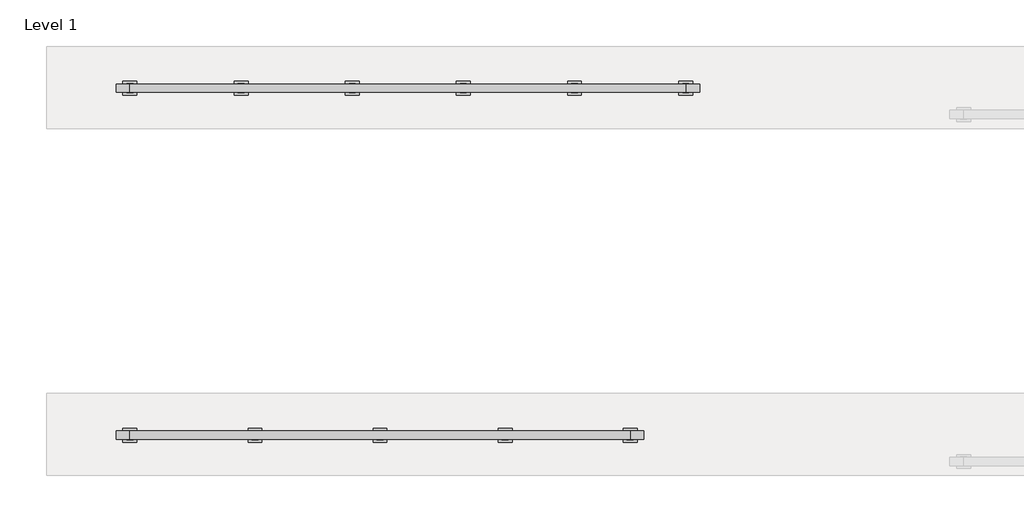
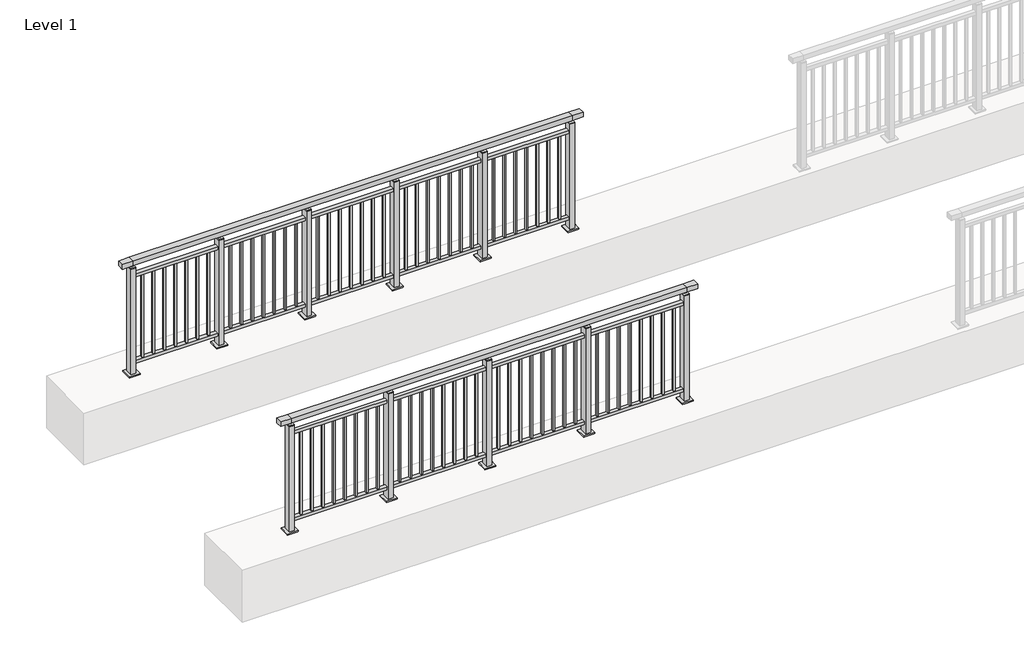
# One storey, part 4 of 37: 2 railings.
"""IFC4 building model written with IfcOpenShell, lengths in millimetres."""

from ifc_helpers import new_model, si_unit, frame, origin, origin_with_axes, place, context, project, spatial, polyline, outline, extrude, faceted_brep, element, save

model = new_model("IFC4")

# Units and contexts
model_context = context("Model", 3, world=origin())
ifc_project = project(units=[si_unit("LENGTHUNIT", "METRE", prefix="MILLI")], contexts=[model_context])

# Site, building, storey
site = spatial("IfcSite", under=ifc_project)
building = spatial("IfcBuilding", under=site)
storey = spatial("IfcBuildingStorey", under=building, Name="Level 1", Elevation=0.0)

# Railings
placement = place(None, origin())
element("IfcRailing", 1, at=placement, inside=storey, context=model_context, shape_type="SolidModel", body=[
    faceted_brep([(0.0, 5220.1846828, 1055.0), (0.0, 5220.1846828, 1100.0), (3600.0, 5220.1846828, 1100.0), (3600.0, 5220.1846828, 1055.0), (0.0, 5160.1846828, 1055.0), (3600.0, 5160.1846828, 1055.0), (0.0, 5160.1846828, 1100.0), (3600.0, 5160.1846828, 1100.0), (-100.0, 5220.1846828, 1100.0), (-100.0, 5220.1846828, 1055.0), (-100.0, 5160.1846828, 1055.0), (-100.0, 5160.1846828, 1100.0), (3700.0, 5220.1846828, 1100.0), (3700.0, 5160.1846828, 1100.0), (3700.0, 5160.1846828, 1055.0), (3700.0, 5220.1846828, 1055.0)], [[[0, 1, 2, 3]], [[4, 0, 3, 5]], [[6, 4, 5, 7]], [[1, 6, 7, 2]], [[8, 9, 10, 11]], [[9, 8, 1, 0]], [[10, 9, 0, 4]], [[11, 10, 4, 6]], [[8, 11, 6, 1]], [[12, 13, 14, 15]], [[3, 2, 12, 15]], [[5, 3, 15, 14]], [[7, 5, 14, 13]], [[2, 7, 13, 12]]]),
    extrude(outline(polyline([(0.0, 5172.6846828), (0.0, 5207.6846828), (3600.0, 5207.6846828), (3600.0, 5172.6846828), (0.0, 5172.6846828)])), frame((0.0, 0.0, 930.0), z_axis=(0.0, 0.0, 1.0), x_axis=(1.0, 0.0, 0.0)), (0.0, 0.0, 1.0), 30.0),
    extrude(outline(polyline([(0.0, 5172.6846828), (0.0, 5207.6846828), (3600.0, 5207.6846828), (3600.0, 5172.6846828), (0.0, 5172.6846828)])), frame((0.0, 0.0, 95.0), z_axis=(0.0, 0.0, 1.0), x_axis=(1.0, 0.0, 0.0)), (0.0, 0.0, 1.0), 30.0),
    extrude(outline(polyline([(3508.5, 5198.6846828), (3508.5, 5181.6846828), (3491.5, 5181.6846828), (3491.5, 5198.6846828), (3508.5, 5198.6846828)])), frame((0.0, 0.0, 125.0), z_axis=(0.0, 0.0, 1.0), x_axis=(1.0, 0.0, 0.0)), (0.0, 0.0, 1.0), 805.0),
    extrude(outline(polyline([(3408.5, 5198.6846828), (3408.5, 5181.6846828), (3391.5, 5181.6846828), (3391.5, 5198.6846828), (3408.5, 5198.6846828)])), frame((0.0, 0.0, 125.0), z_axis=(0.0, 0.0, 1.0), x_axis=(1.0, 0.0, 0.0)), (0.0, 0.0, 1.0), 805.0),
    extrude(outline(polyline([(3308.5, 5198.6846828), (3308.5, 5181.6846828), (3291.5, 5181.6846828), (3291.5, 5198.6846828), (3308.5, 5198.6846828)])), frame((0.0, 0.0, 125.0), z_axis=(0.0, 0.0, 1.0), x_axis=(1.0, 0.0, 0.0)), (0.0, 0.0, 1.0), 805.0),
    extrude(outline(polyline([(3208.5, 5198.6846828), (3208.5, 5181.6846828), (3191.5, 5181.6846828), (3191.5, 5198.6846828), (3208.5, 5198.6846828)])), frame((0.0, 0.0, 125.0), z_axis=(0.0, 0.0, 1.0), x_axis=(1.0, 0.0, 0.0)), (0.0, 0.0, 1.0), 805.0),
    extrude(outline(polyline([(3108.5, 5198.6846828), (3108.5, 5181.6846828), (3091.5, 5181.6846828), (3091.5, 5198.6846828), (3108.5, 5198.6846828)])), frame((0.0, 0.0, 125.0), z_axis=(0.0, 0.0, 1.0), x_axis=(1.0, 0.0, 0.0)), (0.0, 0.0, 1.0), 805.0),
    extrude(outline(polyline([(3008.5, 5198.6846828), (3008.5, 5181.6846828), (2991.5, 5181.6846828), (2991.5, 5198.6846828), (3008.5, 5198.6846828)])), frame((0.0, 0.0, 125.0), z_axis=(0.0, 0.0, 1.0), x_axis=(1.0, 0.0, 0.0)), (0.0, 0.0, 1.0), 805.0),
    extrude(outline(polyline([(2908.5, 5198.6846828), (2908.5, 5181.6846828), (2891.5, 5181.6846828), (2891.5, 5198.6846828), (2908.5, 5198.6846828)])), frame((0.0, 0.0, 125.0), z_axis=(0.0, 0.0, 1.0), x_axis=(1.0, 0.0, 0.0)), (0.0, 0.0, 1.0), 805.0),
    extrude(outline(polyline([(2808.5, 5198.6846828), (2808.5, 5181.6846828), (2791.5, 5181.6846828), (2791.5, 5198.6846828), (2808.5, 5198.6846828)])), frame((0.0, 0.0, 125.0), z_axis=(0.0, 0.0, 1.0), x_axis=(1.0, 0.0, 0.0)), (0.0, 0.0, 1.0), 805.0),
    extrude(outline(polyline([(2710.0, 5180.1846828), (2690.0, 5180.1846828), (2690.0, 5200.1846828), (2710.0, 5200.1846828), (2710.0, 5180.1846828)])), frame((0.0, 0.0, 1035.0), z_axis=(0.0, 0.0, 1.0), x_axis=(1.0, 0.0, 0.0)), (0.0, 0.0, 1.0), 20.0),
    extrude(outline(polyline([(2722.5, 5157.6846828), (2677.5, 5157.6846828), (2677.5, 5222.6846828), (2722.5, 5222.6846828), (2722.5, 5157.6846828)])), frame((0.0, 0.0, 1027.0), z_axis=(0.0, 0.0, 1.0), x_axis=(1.0, 0.0, 0.0)), (0.0, 0.0, 1.0), 8.0),
    extrude(outline(polyline([(2750.0, 5140.1846828), (2650.0, 5140.1846828), (2650.0, 5240.1846828), (2750.0, 5240.1846828), (2750.0, 5140.1846828)])), origin_with_axes(), (0.0, 0.0, 1.0), 12.0),
    extrude(outline(polyline([(2722.5, 5157.6846828), (2677.5, 5157.6846828), (2677.5, 5222.6846828), (2722.5, 5222.6846828), (2722.5, 5157.6846828)])), frame((0.0, 0.0, 12.0), z_axis=(0.0, 0.0, 1.0), x_axis=(1.0, 0.0, 0.0)), (0.0, 0.0, 1.0), 1015.0),
    extrude(outline(polyline([(2608.5, 5198.6846828), (2608.5, 5181.6846828), (2591.5, 5181.6846828), (2591.5, 5198.6846828), (2608.5, 5198.6846828)])), frame((0.0, 0.0, 125.0), z_axis=(0.0, 0.0, 1.0), x_axis=(1.0, 0.0, 0.0)), (0.0, 0.0, 1.0), 805.0),
    extrude(outline(polyline([(2508.5, 5198.6846828), (2508.5, 5181.6846828), (2491.5, 5181.6846828), (2491.5, 5198.6846828), (2508.5, 5198.6846828)])), frame((0.0, 0.0, 125.0), z_axis=(0.0, 0.0, 1.0), x_axis=(1.0, 0.0, 0.0)), (0.0, 0.0, 1.0), 805.0),
    extrude(outline(polyline([(2408.5, 5198.6846828), (2408.5, 5181.6846828), (2391.5, 5181.6846828), (2391.5, 5198.6846828), (2408.5, 5198.6846828)])), frame((0.0, 0.0, 125.0), z_axis=(0.0, 0.0, 1.0), x_axis=(1.0, 0.0, 0.0)), (0.0, 0.0, 1.0), 805.0),
    extrude(outline(polyline([(2308.5, 5198.6846828), (2308.5, 5181.6846828), (2291.5, 5181.6846828), (2291.5, 5198.6846828), (2308.5, 5198.6846828)])), frame((0.0, 0.0, 125.0), z_axis=(0.0, 0.0, 1.0), x_axis=(1.0, 0.0, 0.0)), (0.0, 0.0, 1.0), 805.0),
    extrude(outline(polyline([(2208.5, 5198.6846828), (2208.5, 5181.6846828), (2191.5, 5181.6846828), (2191.5, 5198.6846828), (2208.5, 5198.6846828)])), frame((0.0, 0.0, 125.0), z_axis=(0.0, 0.0, 1.0), x_axis=(1.0, 0.0, 0.0)), (0.0, 0.0, 1.0), 805.0),
    extrude(outline(polyline([(2108.5, 5198.6846828), (2108.5, 5181.6846828), (2091.5, 5181.6846828), (2091.5, 5198.6846828), (2108.5, 5198.6846828)])), frame((0.0, 0.0, 125.0), z_axis=(0.0, 0.0, 1.0), x_axis=(1.0, 0.0, 0.0)), (0.0, 0.0, 1.0), 805.0),
    extrude(outline(polyline([(2008.5, 5198.6846828), (2008.5, 5181.6846828), (1991.5, 5181.6846828), (1991.5, 5198.6846828), (2008.5, 5198.6846828)])), frame((0.0, 0.0, 125.0), z_axis=(0.0, 0.0, 1.0), x_axis=(1.0, 0.0, 0.0)), (0.0, 0.0, 1.0), 805.0),
    extrude(outline(polyline([(1908.5, 5198.6846828), (1908.5, 5181.6846828), (1891.5, 5181.6846828), (1891.5, 5198.6846828), (1908.5, 5198.6846828)])), frame((0.0, 0.0, 125.0), z_axis=(0.0, 0.0, 1.0), x_axis=(1.0, 0.0, 0.0)), (0.0, 0.0, 1.0), 805.0),
    extrude(outline(polyline([(1810.0, 5180.1846828), (1790.0, 5180.1846828), (1790.0, 5200.1846828), (1810.0, 5200.1846828), (1810.0, 5180.1846828)])), frame((0.0, 0.0, 1035.0), z_axis=(0.0, 0.0, 1.0), x_axis=(1.0, 0.0, 0.0)), (0.0, 0.0, 1.0), 20.0),
    extrude(outline(polyline([(1822.5, 5157.6846828), (1777.5, 5157.6846828), (1777.5, 5222.6846828), (1822.5, 5222.6846828), (1822.5, 5157.6846828)])), frame((0.0, 0.0, 1027.0), z_axis=(0.0, 0.0, 1.0), x_axis=(1.0, 0.0, 0.0)), (0.0, 0.0, 1.0), 8.0),
    extrude(outline(polyline([(1850.0, 5140.1846828), (1750.0, 5140.1846828), (1750.0, 5240.1846828), (1850.0, 5240.1846828), (1850.0, 5140.1846828)])), origin_with_axes(), (0.0, 0.0, 1.0), 12.0),
    extrude(outline(polyline([(1822.5, 5157.6846828), (1777.5, 5157.6846828), (1777.5, 5222.6846828), (1822.5, 5222.6846828), (1822.5, 5157.6846828)])), frame((0.0, 0.0, 12.0), z_axis=(0.0, 0.0, 1.0), x_axis=(1.0, 0.0, 0.0)), (0.0, 0.0, 1.0), 1015.0),
    extrude(outline(polyline([(1708.5, 5198.6846828), (1708.5, 5181.6846828), (1691.5, 5181.6846828), (1691.5, 5198.6846828), (1708.5, 5198.6846828)])), frame((0.0, 0.0, 125.0), z_axis=(0.0, 0.0, 1.0), x_axis=(1.0, 0.0, 0.0)), (0.0, 0.0, 1.0), 805.0),
    extrude(outline(polyline([(1608.5, 5198.6846828), (1608.5, 5181.6846828), (1591.5, 5181.6846828), (1591.5, 5198.6846828), (1608.5, 5198.6846828)])), frame((0.0, 0.0, 125.0), z_axis=(0.0, 0.0, 1.0), x_axis=(1.0, 0.0, 0.0)), (0.0, 0.0, 1.0), 805.0),
    extrude(outline(polyline([(1508.5, 5198.6846828), (1508.5, 5181.6846828), (1491.5, 5181.6846828), (1491.5, 5198.6846828), (1508.5, 5198.6846828)])), frame((0.0, 0.0, 125.0), z_axis=(0.0, 0.0, 1.0), x_axis=(1.0, 0.0, 0.0)), (0.0, 0.0, 1.0), 805.0),
    extrude(outline(polyline([(1408.5, 5198.6846828), (1408.5, 5181.6846828), (1391.5, 5181.6846828), (1391.5, 5198.6846828), (1408.5, 5198.6846828)])), frame((0.0, 0.0, 125.0), z_axis=(0.0, 0.0, 1.0), x_axis=(1.0, 0.0, 0.0)), (0.0, 0.0, 1.0), 805.0),
    extrude(outline(polyline([(1308.5, 5198.6846828), (1308.5, 5181.6846828), (1291.5, 5181.6846828), (1291.5, 5198.6846828), (1308.5, 5198.6846828)])), frame((0.0, 0.0, 125.0), z_axis=(0.0, 0.0, 1.0), x_axis=(1.0, 0.0, 0.0)), (0.0, 0.0, 1.0), 805.0),
    extrude(outline(polyline([(1208.5, 5198.6846828), (1208.5, 5181.6846828), (1191.5, 5181.6846828), (1191.5, 5198.6846828), (1208.5, 5198.6846828)])), frame((0.0, 0.0, 125.0), z_axis=(0.0, 0.0, 1.0), x_axis=(1.0, 0.0, 0.0)), (0.0, 0.0, 1.0), 805.0),
    extrude(outline(polyline([(1108.5, 5198.6846828), (1108.5, 5181.6846828), (1091.5, 5181.6846828), (1091.5, 5198.6846828), (1108.5, 5198.6846828)])), frame((0.0, 0.0, 125.0), z_axis=(0.0, 0.0, 1.0), x_axis=(1.0, 0.0, 0.0)), (0.0, 0.0, 1.0), 805.0),
    extrude(outline(polyline([(1008.5, 5198.6846828), (1008.5, 5181.6846828), (991.5, 5181.6846828), (991.5, 5198.6846828), (1008.5, 5198.6846828)])), frame((0.0, 0.0, 125.0), z_axis=(0.0, 0.0, 1.0), x_axis=(1.0, 0.0, 0.0)), (0.0, 0.0, 1.0), 805.0),
    extrude(outline(polyline([(910.0, 5180.1846828), (890.0, 5180.1846828), (890.0, 5200.1846828), (910.0, 5200.1846828), (910.0, 5180.1846828)])), frame((0.0, 0.0, 1035.0), z_axis=(0.0, 0.0, 1.0), x_axis=(1.0, 0.0, 0.0)), (0.0, 0.0, 1.0), 20.0),
    extrude(outline(polyline([(922.5, 5157.6846828), (877.5, 5157.6846828), (877.5, 5222.6846828), (922.5, 5222.6846828), (922.5, 5157.6846828)])), frame((0.0, 0.0, 1027.0), z_axis=(0.0, 0.0, 1.0), x_axis=(1.0, 0.0, 0.0)), (0.0, 0.0, 1.0), 8.0),
    extrude(outline(polyline([(950.0, 5140.1846828), (850.0, 5140.1846828), (850.0, 5240.1846828), (950.0, 5240.1846828), (950.0, 5140.1846828)])), origin_with_axes(), (0.0, 0.0, 1.0), 12.0),
    extrude(outline(polyline([(922.5, 5157.6846828), (877.5, 5157.6846828), (877.5, 5222.6846828), (922.5, 5222.6846828), (922.5, 5157.6846828)])), frame((0.0, 0.0, 12.0), z_axis=(0.0, 0.0, 1.0), x_axis=(1.0, 0.0, 0.0)), (0.0, 0.0, 1.0), 1015.0),
    extrude(outline(polyline([(808.5, 5198.6846828), (808.5, 5181.6846828), (791.5, 5181.6846828), (791.5, 5198.6846828), (808.5, 5198.6846828)])), frame((0.0, 0.0, 125.0), z_axis=(0.0, 0.0, 1.0), x_axis=(1.0, 0.0, 0.0)), (0.0, 0.0, 1.0), 805.0),
    extrude(outline(polyline([(708.5, 5198.6846828), (708.5, 5181.6846828), (691.5, 5181.6846828), (691.5, 5198.6846828), (708.5, 5198.6846828)])), frame((0.0, 0.0, 125.0), z_axis=(0.0, 0.0, 1.0), x_axis=(1.0, 0.0, 0.0)), (0.0, 0.0, 1.0), 805.0),
    extrude(outline(polyline([(608.5, 5198.6846828), (608.5, 5181.6846828), (591.5, 5181.6846828), (591.5, 5198.6846828), (608.5, 5198.6846828)])), frame((0.0, 0.0, 125.0), z_axis=(0.0, 0.0, 1.0), x_axis=(1.0, 0.0, 0.0)), (0.0, 0.0, 1.0), 805.0),
    extrude(outline(polyline([(508.5, 5198.6846828), (508.5, 5181.6846828), (491.5, 5181.6846828), (491.5, 5198.6846828), (508.5, 5198.6846828)])), frame((0.0, 0.0, 125.0), z_axis=(0.0, 0.0, 1.0), x_axis=(1.0, 0.0, 0.0)), (0.0, 0.0, 1.0), 805.0),
    extrude(outline(polyline([(408.5, 5198.6846828), (408.5, 5181.6846828), (391.5, 5181.6846828), (391.5, 5198.6846828), (408.5, 5198.6846828)])), frame((0.0, 0.0, 125.0), z_axis=(0.0, 0.0, 1.0), x_axis=(1.0, 0.0, 0.0)), (0.0, 0.0, 1.0), 805.0),
    extrude(outline(polyline([(308.5, 5198.6846828), (308.5, 5181.6846828), (291.5, 5181.6846828), (291.5, 5198.6846828), (308.5, 5198.6846828)])), frame((0.0, 0.0, 125.0), z_axis=(0.0, 0.0, 1.0), x_axis=(1.0, 0.0, 0.0)), (0.0, 0.0, 1.0), 805.0),
    extrude(outline(polyline([(208.5, 5198.6846828), (208.5, 5181.6846828), (191.5, 5181.6846828), (191.5, 5198.6846828), (208.5, 5198.6846828)])), frame((0.0, 0.0, 125.0), z_axis=(0.0, 0.0, 1.0), x_axis=(1.0, 0.0, 0.0)), (0.0, 0.0, 1.0), 805.0),
    extrude(outline(polyline([(108.5, 5198.6846828), (108.5, 5181.6846828), (91.5, 5181.6846828), (91.5, 5198.6846828), (108.5, 5198.6846828)])), frame((0.0, 0.0, 125.0), z_axis=(0.0, 0.0, 1.0), x_axis=(1.0, 0.0, 0.0)), (0.0, 0.0, 1.0), 805.0),
    extrude(outline(polyline([(3610.0, 5180.1846828), (3590.0, 5180.1846828), (3590.0, 5200.1846828), (3610.0, 5200.1846828), (3610.0, 5180.1846828)])), frame((0.0, 0.0, 1035.0), z_axis=(0.0, 0.0, 1.0), x_axis=(1.0, 0.0, 0.0)), (0.0, 0.0, 1.0), 20.0),
    extrude(outline(polyline([(3622.5, 5157.6846828), (3577.5, 5157.6846828), (3577.5, 5222.6846828), (3622.5, 5222.6846828), (3622.5, 5157.6846828)])), frame((0.0, 0.0, 1027.0), z_axis=(0.0, 0.0, 1.0), x_axis=(1.0, 0.0, 0.0)), (0.0, 0.0, 1.0), 8.0),
    extrude(outline(polyline([(3650.0, 5140.1846828), (3550.0, 5140.1846828), (3550.0, 5240.1846828), (3650.0, 5240.1846828), (3650.0, 5140.1846828)])), origin_with_axes(), (0.0, 0.0, 1.0), 12.0),
    extrude(outline(polyline([(3622.5, 5157.6846828), (3577.5, 5157.6846828), (3577.5, 5222.6846828), (3622.5, 5222.6846828), (3622.5, 5157.6846828)])), frame((0.0, 0.0, 12.0), z_axis=(0.0, 0.0, 1.0), x_axis=(1.0, 0.0, 0.0)), (0.0, 0.0, 1.0), 1015.0),
    extrude(outline(polyline([(10.0, 5180.1846828), (-10.0, 5180.1846828), (-10.0, 5200.1846828), (10.0, 5200.1846828), (10.0, 5180.1846828)])), frame((0.0, 0.0, 1035.0), z_axis=(0.0, 0.0, 1.0), x_axis=(1.0, 0.0, 0.0)), (0.0, 0.0, 1.0), 20.0),
    extrude(outline(polyline([(22.5, 5157.6846828), (-22.5, 5157.6846828), (-22.5, 5222.6846828), (22.5, 5222.6846828), (22.5, 5157.6846828)])), frame((0.0, 0.0, 1027.0), z_axis=(0.0, 0.0, 1.0), x_axis=(1.0, 0.0, 0.0)), (0.0, 0.0, 1.0), 8.0),
    extrude(outline(polyline([(50.0, 5140.1846828), (-50.0, 5140.1846828), (-50.0, 5240.1846828), (50.0, 5240.1846828), (50.0, 5140.1846828)])), origin_with_axes(), (0.0, 0.0, 1.0), 12.0),
    extrude(outline(polyline([(22.5, 5157.6846828), (-22.5, 5157.6846828), (-22.5, 5222.6846828), (22.5, 5222.6846828), (22.5, 5157.6846828)])), frame((0.0, 0.0, 12.0), z_axis=(0.0, 0.0, 1.0), x_axis=(1.0, 0.0, 0.0)), (0.0, 0.0, 1.0), 1015.0),
])
element("IfcRailing", 2, at=placement, inside=storey, context=model_context, shape_type="SolidModel", body=[
    faceted_brep([(0.0, 7720.1846828, 1055.0), (0.0, 7720.1846828, 1100.0), (4000.0, 7720.1846828, 1100.0), (4000.0, 7720.1846828, 1055.0), (0.0, 7660.1846828, 1055.0), (4000.0, 7660.1846828, 1055.0), (0.0, 7660.1846828, 1100.0), (4000.0, 7660.1846828, 1100.0), (-100.0, 7720.1846828, 1100.0), (-100.0, 7720.1846828, 1055.0), (-100.0, 7660.1846828, 1055.0), (-100.0, 7660.1846828, 1100.0), (4100.0, 7720.1846828, 1100.0), (4100.0, 7660.1846828, 1100.0), (4100.0, 7660.1846828, 1055.0), (4100.0, 7720.1846828, 1055.0)], [[[0, 1, 2, 3]], [[4, 0, 3, 5]], [[6, 4, 5, 7]], [[1, 6, 7, 2]], [[8, 9, 10, 11]], [[9, 8, 1, 0]], [[10, 9, 0, 4]], [[11, 10, 4, 6]], [[8, 11, 6, 1]], [[12, 13, 14, 15]], [[3, 2, 12, 15]], [[5, 3, 15, 14]], [[7, 5, 14, 13]], [[2, 7, 13, 12]]]),
    extrude(outline(polyline([(0.0, 7672.6846828), (0.0, 7707.6846828), (4000.0, 7707.6846828), (4000.0, 7672.6846828), (0.0, 7672.6846828)])), frame((0.0, 0.0, 930.0), z_axis=(0.0, 0.0, 1.0), x_axis=(1.0, 0.0, 0.0)), (0.0, 0.0, 1.0), 30.0),
    extrude(outline(polyline([(0.0, 7672.6846828), (0.0, 7707.6846828), (4000.0, 7707.6846828), (4000.0, 7672.6846828), (0.0, 7672.6846828)])), frame((0.0, 0.0, 95.0), z_axis=(0.0, 0.0, 1.0), x_axis=(1.0, 0.0, 0.0)), (0.0, 0.0, 1.0), 30.0),
    extrude(outline(polyline([(3908.5, 7698.6846828), (3908.5, 7681.6846828), (3891.5, 7681.6846828), (3891.5, 7698.6846828), (3908.5, 7698.6846828)])), frame((0.0, 0.0, 125.0), z_axis=(0.0, 0.0, 1.0), x_axis=(1.0, 0.0, 0.0)), (0.0, 0.0, 1.0), 805.0),
    extrude(outline(polyline([(3808.5, 7698.6846828), (3808.5, 7681.6846828), (3791.5, 7681.6846828), (3791.5, 7698.6846828), (3808.5, 7698.6846828)])), frame((0.0, 0.0, 125.0), z_axis=(0.0, 0.0, 1.0), x_axis=(1.0, 0.0, 0.0)), (0.0, 0.0, 1.0), 805.0),
    extrude(outline(polyline([(3708.5, 7698.6846828), (3708.5, 7681.6846828), (3691.5, 7681.6846828), (3691.5, 7698.6846828), (3708.5, 7698.6846828)])), frame((0.0, 0.0, 125.0), z_axis=(0.0, 0.0, 1.0), x_axis=(1.0, 0.0, 0.0)), (0.0, 0.0, 1.0), 805.0),
    extrude(outline(polyline([(3608.5, 7698.6846828), (3608.5, 7681.6846828), (3591.5, 7681.6846828), (3591.5, 7698.6846828), (3608.5, 7698.6846828)])), frame((0.0, 0.0, 125.0), z_axis=(0.0, 0.0, 1.0), x_axis=(1.0, 0.0, 0.0)), (0.0, 0.0, 1.0), 805.0),
    extrude(outline(polyline([(3508.5, 7698.6846828), (3508.5, 7681.6846828), (3491.5, 7681.6846828), (3491.5, 7698.6846828), (3508.5, 7698.6846828)])), frame((0.0, 0.0, 125.0), z_axis=(0.0, 0.0, 1.0), x_axis=(1.0, 0.0, 0.0)), (0.0, 0.0, 1.0), 805.0),
    extrude(outline(polyline([(3408.5, 7698.6846828), (3408.5, 7681.6846828), (3391.5, 7681.6846828), (3391.5, 7698.6846828), (3408.5, 7698.6846828)])), frame((0.0, 0.0, 125.0), z_axis=(0.0, 0.0, 1.0), x_axis=(1.0, 0.0, 0.0)), (0.0, 0.0, 1.0), 805.0),
    extrude(outline(polyline([(3308.5, 7698.6846828), (3308.5, 7681.6846828), (3291.5, 7681.6846828), (3291.5, 7698.6846828), (3308.5, 7698.6846828)])), frame((0.0, 0.0, 125.0), z_axis=(0.0, 0.0, 1.0), x_axis=(1.0, 0.0, 0.0)), (0.0, 0.0, 1.0), 805.0),
    extrude(outline(polyline([(3210.0, 7680.1846828), (3190.0, 7680.1846828), (3190.0, 7700.1846828), (3210.0, 7700.1846828), (3210.0, 7680.1846828)])), frame((0.0, 0.0, 1035.0), z_axis=(0.0, 0.0, 1.0), x_axis=(1.0, 0.0, 0.0)), (0.0, 0.0, 1.0), 20.0),
    extrude(outline(polyline([(3222.5, 7657.6846828), (3177.5, 7657.6846828), (3177.5, 7722.6846828), (3222.5, 7722.6846828), (3222.5, 7657.6846828)])), frame((0.0, 0.0, 1027.0), z_axis=(0.0, 0.0, 1.0), x_axis=(1.0, 0.0, 0.0)), (0.0, 0.0, 1.0), 8.0),
    extrude(outline(polyline([(3250.0, 7640.1846828), (3150.0, 7640.1846828), (3150.0, 7740.1846828), (3250.0, 7740.1846828), (3250.0, 7640.1846828)])), origin_with_axes(), (0.0, 0.0, 1.0), 12.0),
    extrude(outline(polyline([(3222.5, 7657.6846828), (3177.5, 7657.6846828), (3177.5, 7722.6846828), (3222.5, 7722.6846828), (3222.5, 7657.6846828)])), frame((0.0, 0.0, 12.0), z_axis=(0.0, 0.0, 1.0), x_axis=(1.0, 0.0, 0.0)), (0.0, 0.0, 1.0), 1015.0),
    extrude(outline(polyline([(3108.5, 7698.6846828), (3108.5, 7681.6846828), (3091.5, 7681.6846828), (3091.5, 7698.6846828), (3108.5, 7698.6846828)])), frame((0.0, 0.0, 125.0), z_axis=(0.0, 0.0, 1.0), x_axis=(1.0, 0.0, 0.0)), (0.0, 0.0, 1.0), 805.0),
    extrude(outline(polyline([(3008.5, 7698.6846828), (3008.5, 7681.6846828), (2991.5, 7681.6846828), (2991.5, 7698.6846828), (3008.5, 7698.6846828)])), frame((0.0, 0.0, 125.0), z_axis=(0.0, 0.0, 1.0), x_axis=(1.0, 0.0, 0.0)), (0.0, 0.0, 1.0), 805.0),
    extrude(outline(polyline([(2908.5, 7698.6846828), (2908.5, 7681.6846828), (2891.5, 7681.6846828), (2891.5, 7698.6846828), (2908.5, 7698.6846828)])), frame((0.0, 0.0, 125.0), z_axis=(0.0, 0.0, 1.0), x_axis=(1.0, 0.0, 0.0)), (0.0, 0.0, 1.0), 805.0),
    extrude(outline(polyline([(2808.5, 7698.6846828), (2808.5, 7681.6846828), (2791.5, 7681.6846828), (2791.5, 7698.6846828), (2808.5, 7698.6846828)])), frame((0.0, 0.0, 125.0), z_axis=(0.0, 0.0, 1.0), x_axis=(1.0, 0.0, 0.0)), (0.0, 0.0, 1.0), 805.0),
    extrude(outline(polyline([(2708.5, 7698.6846828), (2708.5, 7681.6846828), (2691.5, 7681.6846828), (2691.5, 7698.6846828), (2708.5, 7698.6846828)])), frame((0.0, 0.0, 125.0), z_axis=(0.0, 0.0, 1.0), x_axis=(1.0, 0.0, 0.0)), (0.0, 0.0, 1.0), 805.0),
    extrude(outline(polyline([(2608.5, 7698.6846828), (2608.5, 7681.6846828), (2591.5, 7681.6846828), (2591.5, 7698.6846828), (2608.5, 7698.6846828)])), frame((0.0, 0.0, 125.0), z_axis=(0.0, 0.0, 1.0), x_axis=(1.0, 0.0, 0.0)), (0.0, 0.0, 1.0), 805.0),
    extrude(outline(polyline([(2508.5, 7698.6846828), (2508.5, 7681.6846828), (2491.5, 7681.6846828), (2491.5, 7698.6846828), (2508.5, 7698.6846828)])), frame((0.0, 0.0, 125.0), z_axis=(0.0, 0.0, 1.0), x_axis=(1.0, 0.0, 0.0)), (0.0, 0.0, 1.0), 805.0),
    extrude(outline(polyline([(2410.0, 7680.1846828), (2390.0, 7680.1846828), (2390.0, 7700.1846828), (2410.0, 7700.1846828), (2410.0, 7680.1846828)])), frame((0.0, 0.0, 1035.0), z_axis=(0.0, 0.0, 1.0), x_axis=(1.0, 0.0, 0.0)), (0.0, 0.0, 1.0), 20.0),
    extrude(outline(polyline([(2422.5, 7657.6846828), (2377.5, 7657.6846828), (2377.5, 7722.6846828), (2422.5, 7722.6846828), (2422.5, 7657.6846828)])), frame((0.0, 0.0, 1027.0), z_axis=(0.0, 0.0, 1.0), x_axis=(1.0, 0.0, 0.0)), (0.0, 0.0, 1.0), 8.0),
    extrude(outline(polyline([(2450.0, 7640.1846828), (2350.0, 7640.1846828), (2350.0, 7740.1846828), (2450.0, 7740.1846828), (2450.0, 7640.1846828)])), origin_with_axes(), (0.0, 0.0, 1.0), 12.0),
    extrude(outline(polyline([(2422.5, 7657.6846828), (2377.5, 7657.6846828), (2377.5, 7722.6846828), (2422.5, 7722.6846828), (2422.5, 7657.6846828)])), frame((0.0, 0.0, 12.0), z_axis=(0.0, 0.0, 1.0), x_axis=(1.0, 0.0, 0.0)), (0.0, 0.0, 1.0), 1015.0),
    extrude(outline(polyline([(2308.5, 7698.6846828), (2308.5, 7681.6846828), (2291.5, 7681.6846828), (2291.5, 7698.6846828), (2308.5, 7698.6846828)])), frame((0.0, 0.0, 125.0), z_axis=(0.0, 0.0, 1.0), x_axis=(1.0, 0.0, 0.0)), (0.0, 0.0, 1.0), 805.0),
    extrude(outline(polyline([(2208.5, 7698.6846828), (2208.5, 7681.6846828), (2191.5, 7681.6846828), (2191.5, 7698.6846828), (2208.5, 7698.6846828)])), frame((0.0, 0.0, 125.0), z_axis=(0.0, 0.0, 1.0), x_axis=(1.0, 0.0, 0.0)), (0.0, 0.0, 1.0), 805.0),
    extrude(outline(polyline([(2108.5, 7698.6846828), (2108.5, 7681.6846828), (2091.5, 7681.6846828), (2091.5, 7698.6846828), (2108.5, 7698.6846828)])), frame((0.0, 0.0, 125.0), z_axis=(0.0, 0.0, 1.0), x_axis=(1.0, 0.0, 0.0)), (0.0, 0.0, 1.0), 805.0),
    extrude(outline(polyline([(2008.5, 7698.6846828), (2008.5, 7681.6846828), (1991.5, 7681.6846828), (1991.5, 7698.6846828), (2008.5, 7698.6846828)])), frame((0.0, 0.0, 125.0), z_axis=(0.0, 0.0, 1.0), x_axis=(1.0, 0.0, 0.0)), (0.0, 0.0, 1.0), 805.0),
    extrude(outline(polyline([(1908.5, 7698.6846828), (1908.5, 7681.6846828), (1891.5, 7681.6846828), (1891.5, 7698.6846828), (1908.5, 7698.6846828)])), frame((0.0, 0.0, 125.0), z_axis=(0.0, 0.0, 1.0), x_axis=(1.0, 0.0, 0.0)), (0.0, 0.0, 1.0), 805.0),
    extrude(outline(polyline([(1808.5, 7698.6846828), (1808.5, 7681.6846828), (1791.5, 7681.6846828), (1791.5, 7698.6846828), (1808.5, 7698.6846828)])), frame((0.0, 0.0, 125.0), z_axis=(0.0, 0.0, 1.0), x_axis=(1.0, 0.0, 0.0)), (0.0, 0.0, 1.0), 805.0),
    extrude(outline(polyline([(1708.5, 7698.6846828), (1708.5, 7681.6846828), (1691.5, 7681.6846828), (1691.5, 7698.6846828), (1708.5, 7698.6846828)])), frame((0.0, 0.0, 125.0), z_axis=(0.0, 0.0, 1.0), x_axis=(1.0, 0.0, 0.0)), (0.0, 0.0, 1.0), 805.0),
    extrude(outline(polyline([(1610.0, 7680.1846828), (1590.0, 7680.1846828), (1590.0, 7700.1846828), (1610.0, 7700.1846828), (1610.0, 7680.1846828)])), frame((0.0, 0.0, 1035.0), z_axis=(0.0, 0.0, 1.0), x_axis=(1.0, 0.0, 0.0)), (0.0, 0.0, 1.0), 20.0),
    extrude(outline(polyline([(1622.5, 7657.6846828), (1577.5, 7657.6846828), (1577.5, 7722.6846828), (1622.5, 7722.6846828), (1622.5, 7657.6846828)])), frame((0.0, 0.0, 1027.0), z_axis=(0.0, 0.0, 1.0), x_axis=(1.0, 0.0, 0.0)), (0.0, 0.0, 1.0), 8.0),
    extrude(outline(polyline([(1650.0, 7640.1846828), (1550.0, 7640.1846828), (1550.0, 7740.1846828), (1650.0, 7740.1846828), (1650.0, 7640.1846828)])), origin_with_axes(), (0.0, 0.0, 1.0), 12.0),
    extrude(outline(polyline([(1622.5, 7657.6846828), (1577.5, 7657.6846828), (1577.5, 7722.6846828), (1622.5, 7722.6846828), (1622.5, 7657.6846828)])), frame((0.0, 0.0, 12.0), z_axis=(0.0, 0.0, 1.0), x_axis=(1.0, 0.0, 0.0)), (0.0, 0.0, 1.0), 1015.0),
    extrude(outline(polyline([(1508.5, 7698.6846828), (1508.5, 7681.6846828), (1491.5, 7681.6846828), (1491.5, 7698.6846828), (1508.5, 7698.6846828)])), frame((0.0, 0.0, 125.0), z_axis=(0.0, 0.0, 1.0), x_axis=(1.0, 0.0, 0.0)), (0.0, 0.0, 1.0), 805.0),
    extrude(outline(polyline([(1408.5, 7698.6846828), (1408.5, 7681.6846828), (1391.5, 7681.6846828), (1391.5, 7698.6846828), (1408.5, 7698.6846828)])), frame((0.0, 0.0, 125.0), z_axis=(0.0, 0.0, 1.0), x_axis=(1.0, 0.0, 0.0)), (0.0, 0.0, 1.0), 805.0),
    extrude(outline(polyline([(1308.5, 7698.6846828), (1308.5, 7681.6846828), (1291.5, 7681.6846828), (1291.5, 7698.6846828), (1308.5, 7698.6846828)])), frame((0.0, 0.0, 125.0), z_axis=(0.0, 0.0, 1.0), x_axis=(1.0, 0.0, 0.0)), (0.0, 0.0, 1.0), 805.0),
    extrude(outline(polyline([(1208.5, 7698.6846828), (1208.5, 7681.6846828), (1191.5, 7681.6846828), (1191.5, 7698.6846828), (1208.5, 7698.6846828)])), frame((0.0, 0.0, 125.0), z_axis=(0.0, 0.0, 1.0), x_axis=(1.0, 0.0, 0.0)), (0.0, 0.0, 1.0), 805.0),
    extrude(outline(polyline([(1108.5, 7698.6846828), (1108.5, 7681.6846828), (1091.5, 7681.6846828), (1091.5, 7698.6846828), (1108.5, 7698.6846828)])), frame((0.0, 0.0, 125.0), z_axis=(0.0, 0.0, 1.0), x_axis=(1.0, 0.0, 0.0)), (0.0, 0.0, 1.0), 805.0),
    extrude(outline(polyline([(1008.5, 7698.6846828), (1008.5, 7681.6846828), (991.5, 7681.6846828), (991.5, 7698.6846828), (1008.5, 7698.6846828)])), frame((0.0, 0.0, 125.0), z_axis=(0.0, 0.0, 1.0), x_axis=(1.0, 0.0, 0.0)), (0.0, 0.0, 1.0), 805.0),
    extrude(outline(polyline([(908.5, 7698.6846828), (908.5, 7681.6846828), (891.5, 7681.6846828), (891.5, 7698.6846828), (908.5, 7698.6846828)])), frame((0.0, 0.0, 125.0), z_axis=(0.0, 0.0, 1.0), x_axis=(1.0, 0.0, 0.0)), (0.0, 0.0, 1.0), 805.0),
    extrude(outline(polyline([(810.0, 7680.1846828), (790.0, 7680.1846828), (790.0, 7700.1846828), (810.0, 7700.1846828), (810.0, 7680.1846828)])), frame((0.0, 0.0, 1035.0), z_axis=(0.0, 0.0, 1.0), x_axis=(1.0, 0.0, 0.0)), (0.0, 0.0, 1.0), 20.0),
    extrude(outline(polyline([(822.5, 7657.6846828), (777.5, 7657.6846828), (777.5, 7722.6846828), (822.5, 7722.6846828), (822.5, 7657.6846828)])), frame((0.0, 0.0, 1027.0), z_axis=(0.0, 0.0, 1.0), x_axis=(1.0, 0.0, 0.0)), (0.0, 0.0, 1.0), 8.0),
    extrude(outline(polyline([(850.0, 7640.1846828), (750.0, 7640.1846828), (750.0, 7740.1846828), (850.0, 7740.1846828), (850.0, 7640.1846828)])), origin_with_axes(), (0.0, 0.0, 1.0), 12.0),
    extrude(outline(polyline([(822.5, 7657.6846828), (777.5, 7657.6846828), (777.5, 7722.6846828), (822.5, 7722.6846828), (822.5, 7657.6846828)])), frame((0.0, 0.0, 12.0), z_axis=(0.0, 0.0, 1.0), x_axis=(1.0, 0.0, 0.0)), (0.0, 0.0, 1.0), 1015.0),
    extrude(outline(polyline([(708.5, 7698.6846828), (708.5, 7681.6846828), (691.5, 7681.6846828), (691.5, 7698.6846828), (708.5, 7698.6846828)])), frame((0.0, 0.0, 125.0), z_axis=(0.0, 0.0, 1.0), x_axis=(1.0, 0.0, 0.0)), (0.0, 0.0, 1.0), 805.0),
    extrude(outline(polyline([(608.5, 7698.6846828), (608.5, 7681.6846828), (591.5, 7681.6846828), (591.5, 7698.6846828), (608.5, 7698.6846828)])), frame((0.0, 0.0, 125.0), z_axis=(0.0, 0.0, 1.0), x_axis=(1.0, 0.0, 0.0)), (0.0, 0.0, 1.0), 805.0),
    extrude(outline(polyline([(508.5, 7698.6846828), (508.5, 7681.6846828), (491.5, 7681.6846828), (491.5, 7698.6846828), (508.5, 7698.6846828)])), frame((0.0, 0.0, 125.0), z_axis=(0.0, 0.0, 1.0), x_axis=(1.0, 0.0, 0.0)), (0.0, 0.0, 1.0), 805.0),
    extrude(outline(polyline([(408.5, 7698.6846828), (408.5, 7681.6846828), (391.5, 7681.6846828), (391.5, 7698.6846828), (408.5, 7698.6846828)])), frame((0.0, 0.0, 125.0), z_axis=(0.0, 0.0, 1.0), x_axis=(1.0, 0.0, 0.0)), (0.0, 0.0, 1.0), 805.0),
    extrude(outline(polyline([(308.5, 7698.6846828), (308.5, 7681.6846828), (291.5, 7681.6846828), (291.5, 7698.6846828), (308.5, 7698.6846828)])), frame((0.0, 0.0, 125.0), z_axis=(0.0, 0.0, 1.0), x_axis=(1.0, 0.0, 0.0)), (0.0, 0.0, 1.0), 805.0),
    extrude(outline(polyline([(208.5, 7698.6846828), (208.5, 7681.6846828), (191.5, 7681.6846828), (191.5, 7698.6846828), (208.5, 7698.6846828)])), frame((0.0, 0.0, 125.0), z_axis=(0.0, 0.0, 1.0), x_axis=(1.0, 0.0, 0.0)), (0.0, 0.0, 1.0), 805.0),
    extrude(outline(polyline([(108.5, 7698.6846828), (108.5, 7681.6846828), (91.5, 7681.6846828), (91.5, 7698.6846828), (108.5, 7698.6846828)])), frame((0.0, 0.0, 125.0), z_axis=(0.0, 0.0, 1.0), x_axis=(1.0, 0.0, 0.0)), (0.0, 0.0, 1.0), 805.0),
    extrude(outline(polyline([(4010.0, 7680.1846828), (3990.0, 7680.1846828), (3990.0, 7700.1846828), (4010.0, 7700.1846828), (4010.0, 7680.1846828)])), frame((0.0, 0.0, 1035.0), z_axis=(0.0, 0.0, 1.0), x_axis=(1.0, 0.0, 0.0)), (0.0, 0.0, 1.0), 20.0),
    extrude(outline(polyline([(4022.5, 7657.6846828), (3977.5, 7657.6846828), (3977.5, 7722.6846828), (4022.5, 7722.6846828), (4022.5, 7657.6846828)])), frame((0.0, 0.0, 1027.0), z_axis=(0.0, 0.0, 1.0), x_axis=(1.0, 0.0, 0.0)), (0.0, 0.0, 1.0), 8.0),
    extrude(outline(polyline([(4050.0, 7640.1846828), (3950.0, 7640.1846828), (3950.0, 7740.1846828), (4050.0, 7740.1846828), (4050.0, 7640.1846828)])), origin_with_axes(), (0.0, 0.0, 1.0), 12.0),
    extrude(outline(polyline([(4022.5, 7657.6846828), (3977.5, 7657.6846828), (3977.5, 7722.6846828), (4022.5, 7722.6846828), (4022.5, 7657.6846828)])), frame((0.0, 0.0, 12.0), z_axis=(0.0, 0.0, 1.0), x_axis=(1.0, 0.0, 0.0)), (0.0, 0.0, 1.0), 1015.0),
    extrude(outline(polyline([(10.0, 7680.1846828), (-10.0, 7680.1846828), (-10.0, 7700.1846828), (10.0, 7700.1846828), (10.0, 7680.1846828)])), frame((0.0, 0.0, 1035.0), z_axis=(0.0, 0.0, 1.0), x_axis=(1.0, 0.0, 0.0)), (0.0, 0.0, 1.0), 20.0),
    extrude(outline(polyline([(22.5, 7657.6846828), (-22.5, 7657.6846828), (-22.5, 7722.6846828), (22.5, 7722.6846828), (22.5, 7657.6846828)])), frame((0.0, 0.0, 1027.0), z_axis=(0.0, 0.0, 1.0), x_axis=(1.0, 0.0, 0.0)), (0.0, 0.0, 1.0), 8.0),
    extrude(outline(polyline([(50.0, 7640.1846828), (-50.0, 7640.1846828), (-50.0, 7740.1846828), (50.0, 7740.1846828), (50.0, 7640.1846828)])), origin_with_axes(), (0.0, 0.0, 1.0), 12.0),
    extrude(outline(polyline([(22.5, 7657.6846828), (-22.5, 7657.6846828), (-22.5, 7722.6846828), (22.5, 7722.6846828), (22.5, 7657.6846828)])), frame((0.0, 0.0, 12.0), z_axis=(0.0, 0.0, 1.0), x_axis=(1.0, 0.0, 0.0)), (0.0, 0.0, 1.0), 1015.0),
])

save(model, "model.ifc")
